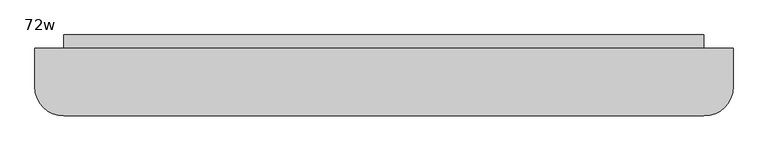
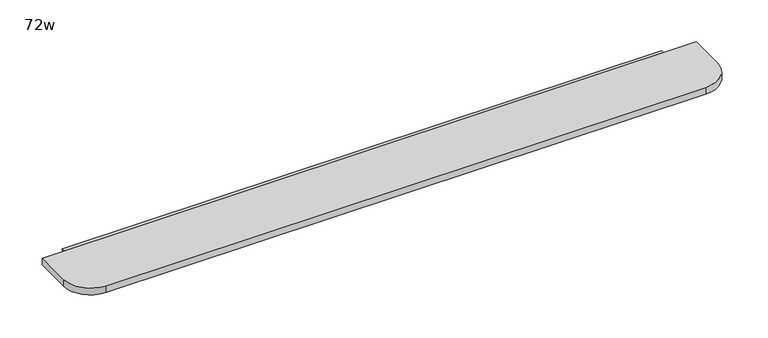
"""IFC4 building model written with IfcOpenShell, lengths in millimetres: furniture geometry, 72w."""

from ifc_helpers import new_model, si_unit, point, frame, frame_2d, origin, place, context, project, spatial, polyline, circle_curve, trimmed, segment, composite_curve, outline, extrude, source, transform, mapped, element, save


def furniture_72w_87a6b885(model_context):
    return source(origin(), model_context, "Body", "SweptSolid", [
        extrude(outline(composite_curve([segment(polyline([(1227.4409467, 545.9364026), (1227.4409467, 428.8582776)]), True, "CONTINUOUS"), segment(trimmed(circle_curve(frame_2d((1208.3909467, 428.8582776)), 19.05), [point((1227.4409467, 428.8582776))], [point((1208.3909467, 409.8082776))], False, "CARTESIAN"), True, "CONTINUOUS"), segment(polyline([(1208.3909467, 409.8082776), (-429.9090533, 409.8082776)]), True, "CONTINUOUS"), segment(trimmed(circle_curve(frame_2d((-429.9090533, 428.8582776)), 19.05), [point((-429.9090533, 409.8082776))], [point((-448.9590533, 428.8582776))], False, "CARTESIAN"), True, "CONTINUOUS"), segment(polyline([(-448.9590533, 428.8582776), (-448.9590533, 545.9364026), (1227.4409467, 545.9364026)]), True, "CONTINUOUS")], self_intersect=False)), frame((0.0, 0.0, 996.35945), z_axis=(0.0, 0.0, 1.0), x_axis=(1.0, 0.0, 0.0)), (0.0, 0.0, 1.0), 3.96875),
        extrude(outline(composite_curve([segment(polyline([(1303.6409467, 511.4082776), (1303.6409467, 409.8082776)]), True, "CONTINUOUS"), segment(trimmed(circle_curve(frame_2d((1227.4409467, 409.8082776)), 76.2), [point((1303.6409467, 409.8082776))], [point((1227.4409467, 333.6082776))], False, "CARTESIAN"), True, "CONTINUOUS"), segment(polyline([(1227.4409467, 333.6082776), (-448.9590533, 333.6082776)]), True, "CONTINUOUS"), segment(trimmed(circle_curve(frame_2d((-448.9590533, 409.8082776)), 76.2), [point((-448.9590533, 333.6082776))], [point((-525.1590533, 409.8082776))], False, "CARTESIAN"), True, "CONTINUOUS"), segment(polyline([(-525.1590533, 409.8082776), (-525.1590533, 511.4082776), (1303.6409467, 511.4082776)]), True, "CONTINUOUS")], self_intersect=False)), frame((0.0, 0.0, 1000.3282), z_axis=(0.0, 0.0, 1.0), x_axis=(1.0, 0.0, 0.0)), (0.0, 0.0, 1.0), 19.9429687),
    ])


if __name__ == "__main__":
    model = new_model("IFC4")
    model_context = context("Model", 3, world=origin())
    ifc_project = project(units=[si_unit("LENGTHUNIT", "METRE", prefix="MILLI")], contexts=[model_context])
    site = spatial("IfcSite", under=ifc_project)
    building = spatial("IfcBuilding", under=site)
    placement = place(None, origin())
    furniture_72w_shape = furniture_72w_87a6b885(model_context)
    element("IfcFurniture", 1, ObjectType="72w", at=placement, inside=building, context=model_context, shape_type="MappedRepresentation", body=[
        mapped(furniture_72w_shape, transform((0.0, 0.0, 0.0), x_axis=(1.0, 0.0, 0.0), y_axis=(0.0, 1.0, 0.0), z_axis=(0.0, 0.0, 1.0))),
    ])
    save(model, "model.ifc")
